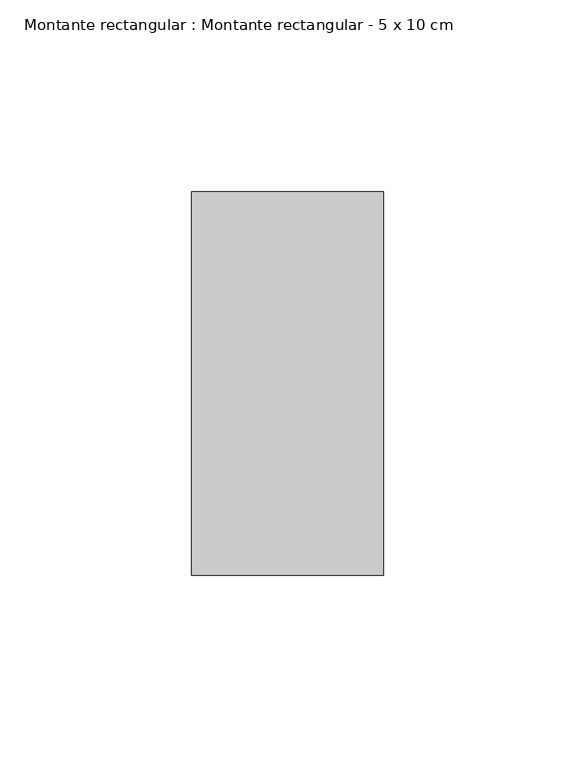
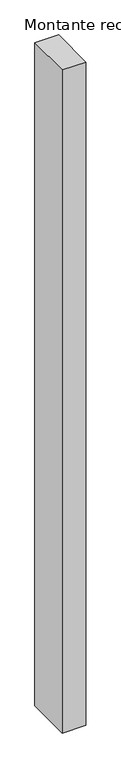
"""IFC4 building model written with IfcOpenShell, lengths in millimetres: member geometry, Montante rectangular : Montante rectangular - 5 x 10 cm."""

from ifc_helpers import new_model, si_unit, frame, origin, place, context, project, spatial, polyline, outline, extrude, source, transform, mapped, element, save


def montante_rectangular_montante_rectangular_5_x_10_cm_67daa257(model_context):
    return source(origin(), model_context, "Body", "SweptSolid", [
        extrude(outline(polyline([(0.0, 50.0), (0.0, -50.0), (-50.0, -50.0), (-50.0, 50.0), (0.0, 50.0)])), frame((0.0, 0.0, -1482.4904288), z_axis=(0.0, 0.0, 1.0), x_axis=(1.0, 0.0, 0.0)), (0.0, 0.0, 1.0), 1482.4904288),
    ])


if __name__ == "__main__":
    model = new_model("IFC4")
    model_context = context("Model", 3, world=origin())
    ifc_project = project(units=[si_unit("LENGTHUNIT", "METRE", prefix="MILLI")], contexts=[model_context])
    site = spatial("IfcSite", under=ifc_project)
    building = spatial("IfcBuilding", under=site)
    placement = place(None, origin())
    montante_rectangular_montante_rectangular_5_x_10_cm_shape = montante_rectangular_montante_rectangular_5_x_10_cm_67daa257(model_context)
    element("IfcMember", 1, ObjectType="Montante rectangular : Montante rectangular - 5 x 10 cm", at=placement, inside=building, context=model_context, shape_type="MappedRepresentation", body=[
        mapped(montante_rectangular_montante_rectangular_5_x_10_cm_shape, transform((0.0, 0.0, 0.0), x_axis=(1.0, 0.0, 0.0), y_axis=(0.0, 1.0, 0.0), z_axis=(0.0, 0.0, 1.0))),
    ])
    save(model, "model.ifc")
